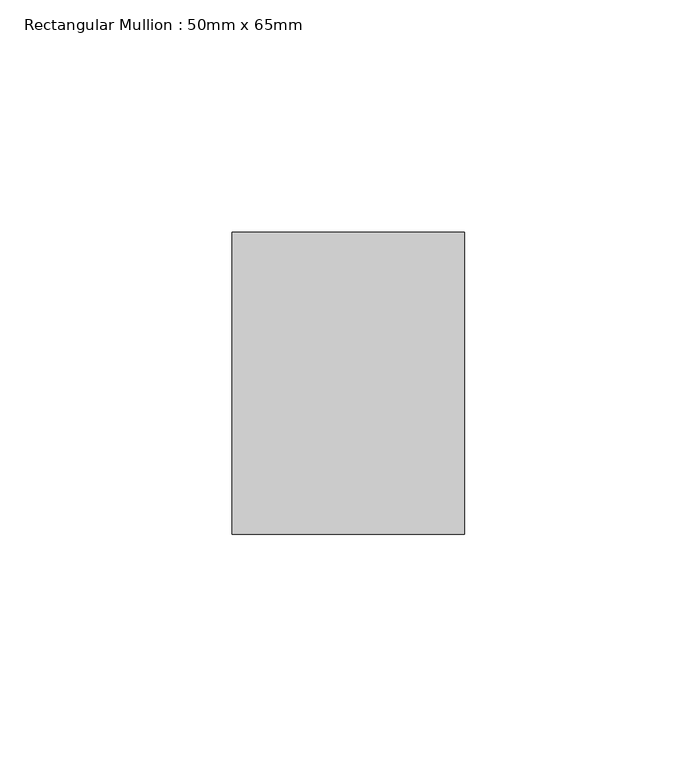
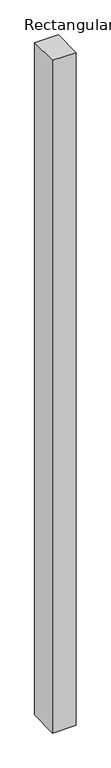
"""IFC4 building model written with IfcOpenShell, lengths in millimetres: member geometry, Rectangular Mullion : 50mm x 65mm."""

from ifc_helpers import new_model, si_unit, frame, origin, place, context, project, spatial, polyline, outline, extrude, source, transform, mapped, element, save


def rectangular_mullion_50mm_x_65mm_c59a9474(model_context):
    return source(origin(), model_context, "Body", "SweptSolid", [
        extrude(outline(polyline([(-32.5, 0.0), (32.5, 0.0), (32.5, -1499.3970185), (-32.5, -1500.6014516), (-32.5, 0.0)])), frame((-25.0, 0.0, 0.0), z_axis=(1.0, 0.0, 0.0), x_axis=(0.0, 1.0, 0.0)), (0.0, 0.0, 1.0), 50.0),
    ])


if __name__ == "__main__":
    model = new_model("IFC4")
    model_context = context("Model", 3, world=origin())
    ifc_project = project(units=[si_unit("LENGTHUNIT", "METRE", prefix="MILLI")], contexts=[model_context])
    site = spatial("IfcSite", under=ifc_project)
    building = spatial("IfcBuilding", under=site)
    placement = place(None, origin())
    rectangular_mullion_50mm_x_65mm_shape = rectangular_mullion_50mm_x_65mm_c59a9474(model_context)
    element("IfcMember", 1, ObjectType="Rectangular Mullion : 50mm x 65mm", at=placement, inside=building, context=model_context, shape_type="MappedRepresentation", body=[
        mapped(rectangular_mullion_50mm_x_65mm_shape, transform((0.0, 0.0, 0.0), x_axis=(1.0, 0.0, 0.0), y_axis=(0.0, 1.0, 0.0), z_axis=(0.0, 0.0, 1.0))),
    ])
    save(model, "model.ifc")
